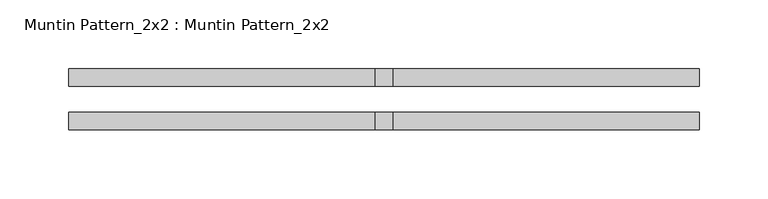
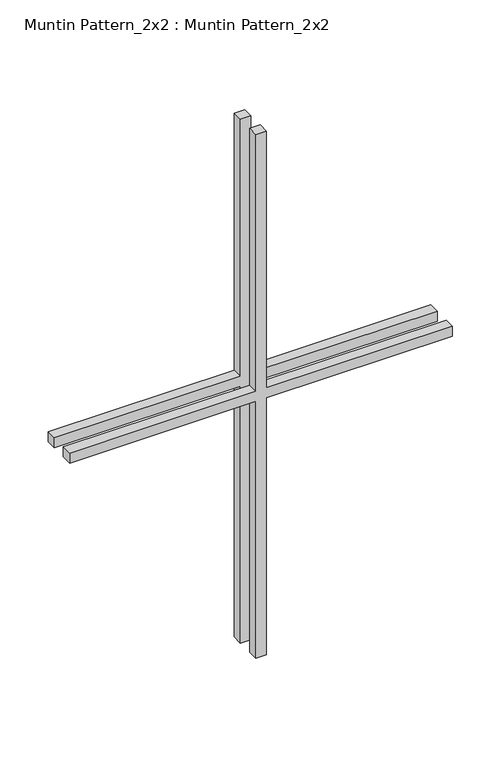
"""IFC4 building model written with IfcOpenShell, lengths in millimetres: proxy geometry, Muntin Pattern_2x2 : Muntin Pattern_2x2."""

from ifc_helpers import new_model, si_unit, frame, origin, place, context, project, spatial, polyline, outline, extrude, source, transform, mapped, element, save


def muntin_pattern_2x2_muntin_pattern_2x2_bd780ba5(model_context):
    return source(origin(), model_context, "Body", "SweptSolid", [
        extrude(outline(polyline([(338.1375, -6.35), (338.1375, -229.39375), (325.4375, -229.39375), (325.4375, -6.35), (0.0, -6.35), (0.0, 6.35), (325.4375, 6.35), (325.4375, 229.39375), (338.1375, 229.39375), (338.1375, 6.35), (663.575, 6.35), (663.575, -6.35), (338.1375, -6.35)])), frame((0.0, -22.225, 0.0), z_axis=(0.0, 1.0, 0.0), x_axis=(0.0, 0.0, 1.0)), (0.0, 0.0, 1.0), 12.7),
        extrude(outline(polyline([(338.1375, -6.35), (338.1375, -229.39375), (325.4375, -229.39375), (325.4375, -6.35), (0.0, -6.35), (0.0, 6.35), (325.4375, 6.35), (325.4375, 229.39375), (338.1375, 229.39375), (338.1375, 6.35), (663.575, 6.35), (663.575, -6.35), (338.1375, -6.35)])), frame((0.0, 9.525, 0.0), z_axis=(0.0, 1.0, 0.0), x_axis=(0.0, 0.0, 1.0)), (0.0, 0.0, 1.0), 12.7),
    ])


if __name__ == "__main__":
    model = new_model("IFC4")
    model_context = context("Model", 3, world=origin())
    ifc_project = project(units=[si_unit("LENGTHUNIT", "METRE", prefix="MILLI")], contexts=[model_context])
    site = spatial("IfcSite", under=ifc_project)
    building = spatial("IfcBuilding", under=site)
    placement = place(None, origin())
    muntin_pattern_2x2_muntin_pattern_2x2_shape = muntin_pattern_2x2_muntin_pattern_2x2_bd780ba5(model_context)
    element("IfcBuildingElementProxy", 1, Name="Muntin Pattern_2x2 : Muntin Pattern_2x2", ObjectType="Muntin Pattern_2x2 : Muntin Pattern_2x2", at=placement, inside=building, context=model_context, shape_type="MappedRepresentation", body=[
        mapped(muntin_pattern_2x2_muntin_pattern_2x2_shape, transform((0.0, 0.0, 0.0), x_axis=(1.0, 0.0, 0.0), y_axis=(0.0, 1.0, 0.0), z_axis=(0.0, 0.0, 1.0))),
    ])
    save(model, "model.ifc")
